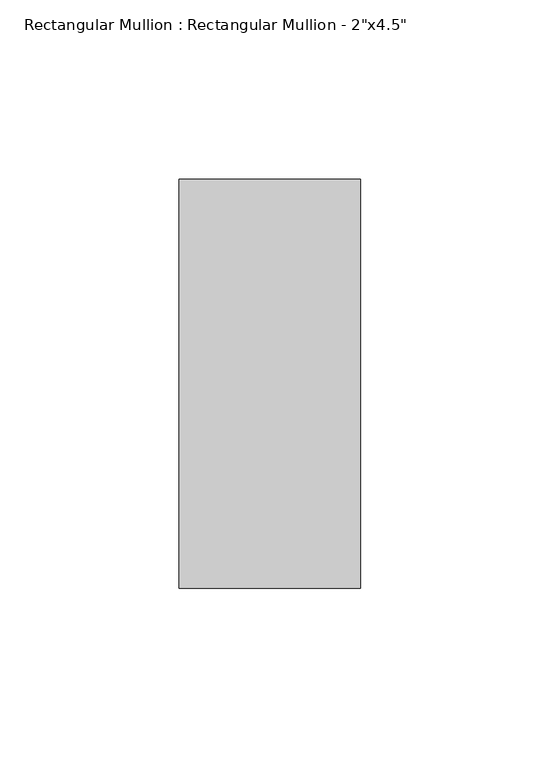
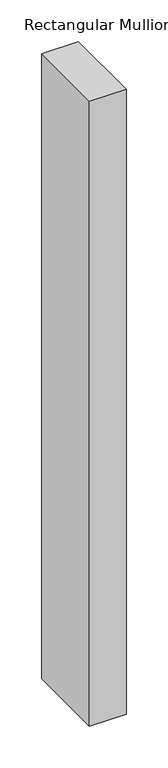
"""IFC4 building model written with IfcOpenShell, lengths in millimetres: member geometry."""

from ifc_helpers import new_model, si_unit, frame, origin, place, context, project, spatial, polyline, outline, extrude, source, transform, mapped, element, save


def member_3024f231(model_context):
    return source(origin(), model_context, "Body", "SweptSolid", [
        extrude(outline(polyline([(25.4, 57.15), (25.4, -57.15), (-25.4, -57.15), (-25.4, 57.15), (25.4, 57.15)])), frame((0.0, 0.0, -914.4), z_axis=(0.0, 0.0, 1.0), x_axis=(1.0, 0.0, 0.0)), (0.0, 0.0, 1.0), 914.4),
    ])


if __name__ == "__main__":
    model = new_model("IFC4")
    model_context = context("Model", 3, world=origin())
    ifc_project = project(units=[si_unit("LENGTHUNIT", "METRE", prefix="MILLI")], contexts=[model_context])
    site = spatial("IfcSite", under=ifc_project)
    building = spatial("IfcBuilding", under=site)
    placement = place(None, origin())
    member_shape = member_3024f231(model_context)
    element("IfcMember", 1, ObjectType="Rectangular Mullion : Rectangular Mullion - 2\"x4.5\"", at=placement, inside=building, context=model_context, shape_type="MappedRepresentation", body=[
        mapped(member_shape, transform((0.0, 0.0, 0.0), x_axis=(1.0, 0.0, 0.0), y_axis=(0.0, 1.0, 0.0), z_axis=(0.0, 0.0, 1.0))),
    ])
    save(model, "model.ifc")
